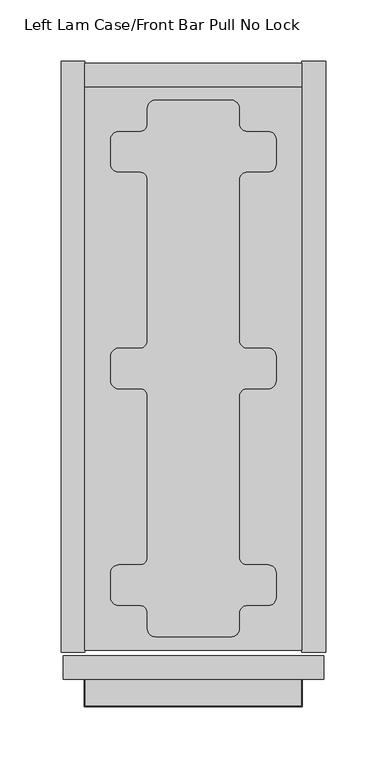
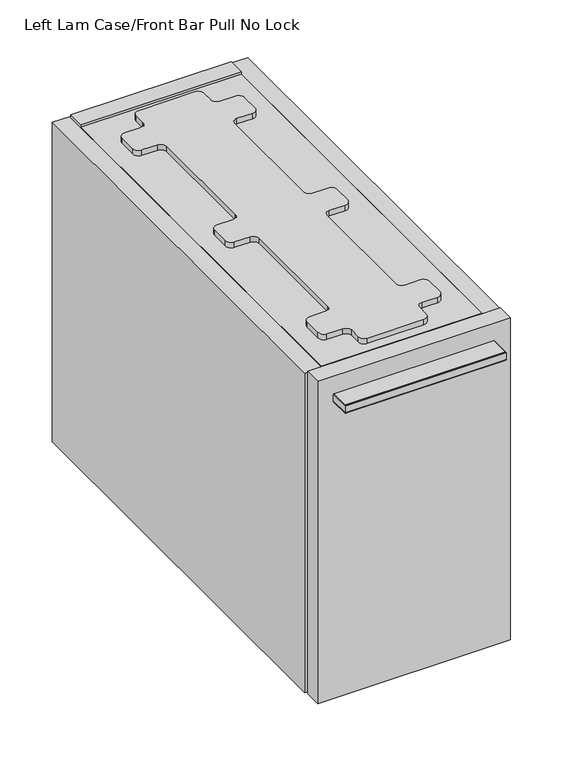
"""IFC4 building model written with IfcOpenShell, lengths in millimetres: furniture geometry, Left Lam Case/Front Bar Pull No Lock."""

from ifc_helpers import new_model, si_unit, point, frame, frame_2d, origin, place, context, project, spatial, polyline, circle_curve, ellipse_curve, trimmed, segment, composite_curve, outline, extrude, source, transform, mapped, element, save
from ifc_brep_helpers import plane_surface, cylinder_surface, revolved_surface, advanced_brep


def left_lam_case_front_bar_pull_no_lock_864ac2ea(model_context):
    return source(origin(), model_context, "Body", "SolidModel", [
        advanced_brep(
        [(196.1316162, -581.1520271, 637.437981), (196.1316162, -602.6150339, 637.437981), (19.7683778, -602.6150339, 637.437981), (19.7683778, -581.1520271, 637.437981), (49.4637762, -581.1520271, 637.437981), (49.4569548, -597.06699, 637.437981), (166.4396285, -597.06699, 637.437981), (166.4362178, -581.1520271, 637.437981), (19.7683778, -581.1520271, 646.962981), (19.7683778, -602.6150339, 646.962981), (196.1316162, -602.6150339, 646.962981), (196.1316162, -581.1520271, 646.962981), (165.6442639, -581.1520271, 638.1487745), (159.3341925, -581.1520271, 643.7879532), (56.5658015, -581.1520271, 643.7879532), (50.2557301, -581.1520271, 638.1487745), (159.3341925, -597.06699, 643.7879532), (165.6442639, -597.06699, 638.1487745), (50.2557301, -597.06699, 638.1487745), (56.5658015, -597.06699, 643.7879532)],
        [
            (0, 1),
            (1, 2),
            (2, 3),
            (3, 4),
            (4, 5),
            (5, 6),
            (6, 7),
            (7, 0),
            (8, 9),
            (9, 10),
            (10, 11),
            (11, 8),
            (11, 0),
            (7, 12, circle_curve(frame((166.4396285, -581.1520271, 638.2383687), z_axis=(0.0, 1.0, 0.0), x_axis=(0.0, 0.0, -1.0)), 0.8003949)),
            (12, 13, circle_curve(frame((159.3341925, -581.1520271, 637.4379738), z_axis=(0.0, -1.0, 0.0), x_axis=(0.0, 0.0, -1.0)), 6.3499794)),
            (13, 14),
            (14, 15, circle_curve(frame((56.5658015, -581.1520271, 637.4379738), z_axis=(0.0, -1.0, 0.0), x_axis=(0.0, 0.0, -1.0)), 6.3499794)),
            (15, 4, circle_curve(frame((49.4603655, -581.1520271, 638.2383687), z_axis=(0.0, 1.0, 0.0), x_axis=(0.0, 0.0, -1.0)), 0.8003949)),
            (3, 8),
            (10, 1),
            (9, 2),
            (16, 17, circle_curve(frame((159.3341925, -597.06699, 637.4379738), z_axis=(0.0, 1.0, 0.0), x_axis=(0.0, 0.0, -1.0)), 6.3499794)),
            (17, 6, circle_curve(frame((166.4396285, -597.06699, 638.2383687), z_axis=(0.0, -1.0, 0.0), x_axis=(0.0, 0.0, -1.0)), 0.8003949)),
            (5, 18, circle_curve(frame((49.4603655, -597.06699, 638.2383687), z_axis=(0.0, -1.0, 0.0), x_axis=(0.0, 0.0, -1.0)), 0.8003949)),
            (18, 19, circle_curve(frame((56.5658015, -597.06699, 637.4379738), z_axis=(0.0, 1.0, 0.0), x_axis=(0.0, 0.0, -1.0)), 6.3499794)),
            (19, 16),
            (16, 13),
            (12, 17),
            (15, 18),
            (14, 19),
        ],
        [
            plane_surface(frame((304.4000029, -581.1520271, 637.437981), z_axis=(0.0, 0.0, -1.0), x_axis=(1.0, 0.0, 0.0))),
            plane_surface(frame((304.4000029, -581.1520271, 646.962981), z_axis=(0.0, 0.0, 1.0), x_axis=(-1.0, 0.0, 0.0))),
            plane_surface(frame((19.7683778, -581.1520271, 637.437981), z_axis=(0.0, 1.0, 0.0), x_axis=(0.0, 0.0, 1.0))),
            plane_surface(frame((196.1316162, -581.1520271, 637.437981), z_axis=(1.0, 0.0, 0.0), x_axis=(0.0, 0.0, 1.0))),
            plane_surface(frame((196.1316162, -602.6150339, 637.437981), z_axis=(0.0, -1.0, 0.0), x_axis=(0.0, 0.0, 1.0))),
            plane_surface(frame((19.7683778, -602.6150339, 637.437981), z_axis=(-1.0, 0.0, 0.0), x_axis=(0.0, 0.0, 1.0))),
            plane_surface(frame((107.949997, -597.06699, 642.200481), z_axis=(0.0, 1.0, 0.0), x_axis=(1.0, 0.0, 0.0))),
            revolved_surface(polyline([(159.3341925, -581.1520271, 631.0879944), (159.3341925, -597.06699, 631.0879944)]), (159.3341925, -581.1520271, 637.4379738), (0.0, 1.0, 0.0)),
            cylinder_surface(frame((166.4396285, -581.1520271, 638.2383687), z_axis=(0.0, -1.0, 0.0), x_axis=(0.0, 0.0, -1.0)), 0.8003949),
            cylinder_surface(frame((49.4603655, -581.1520271, 638.2383687), z_axis=(0.0, -1.0, 0.0), x_axis=(0.0, 0.0, -1.0)), 0.8003949),
            revolved_surface(polyline([(56.5658015, -581.1520271, 631.0879944), (56.5658015, -597.06699, 631.0879944)]), (56.5658015, -581.1520271, 637.4379738), (0.0, 1.0, 0.0)),
            plane_surface(frame((56.5658015, -581.1520271, 643.7879532), z_axis=(0.0, 0.0, -1.0), x_axis=(0.0, -1.0, 0.0))),
        ],
        [
            (0, [[1, 2, 3, 4, 5, 6, 7, 8]]),
            (1, [[9, 10, 11, 12]]),
            (2, [[-12, 13, -8, 14, 15, 16, 17, 18, -4, 19]]),
            (3, [[-1, -13, -11, 20]]),
            (4, [[-2, -20, -10, 21]]),
            (5, [[-3, -21, -9, -19]]),
            (6, [[22, 23, -6, 24, 25, 26]]),
            (7, [[-22, 27, -15, 28]]),
            (8, [[-23, -28, -14, -7]]),
            (9, [[-24, -5, -18, 29]]),
            (10, [[-25, -29, -17, 30]]),
            (11, [[-26, -30, -16, -27]]),
        ],
    ),
        advanced_brep(
        [(19.7683778, -581.1520271, 637.4379629), (19.0063967, -581.1520271, 638.1999258), (19.0063967, -581.1520271, 646.1957018), (19.7683778, -581.1520271, 646.9577374), (19.7683778, -602.6150339, 637.4379629), (19.0063967, -603.377015, 638.1999258), (19.0063967, -603.377015, 646.1957018), (19.7683778, -602.6150339, 646.9577374), (196.1316162, -602.6150339, 637.4379629), (196.8935973, -603.377015, 638.1999258), (196.8935973, -603.377015, 646.1957018), (196.1316162, -602.6150339, 646.9577374), (196.1316162, -581.1520271, 637.4379629), (196.1316162, -581.1520271, 646.9577374), (196.8935973, -581.1520271, 646.1957018), (196.8935973, -581.1520271, 638.1999258)],
        [
            (0, 1, circle_curve(frame((19.7683596, -581.1520271, 638.1999258), z_axis=(0.0, 1.0, 0.0), x_axis=(1.0, 0.0, 0.0)), 0.7619629)),
            (1, 2),
            (2, 3, circle_curve(frame((19.7684323, -581.1520271, 646.1957018), z_axis=(0.0, 1.0, 0.0), x_axis=(1.0, 0.0, 0.0)), 0.7620356)),
            (3, 0),
            (0, 4),
            (4, 5, ellipse_curve(frame((19.7683596, -602.6150521, 638.1999258), z_axis=(-0.7071067811865492, 0.7071067811865458, 0.0), x_axis=(0.7071067811865457, 0.7071067811865492, 0.0)), 1.0775783, 0.7619629)),
            (5, 1),
            (5, 6),
            (6, 2),
            (6, 7, ellipse_curve(frame((19.7684323, -602.6149794, 646.1957018), z_axis=(-0.7071067811865492, 0.7071067811865458, 0.0), x_axis=(0.7071067811865457, 0.7071067811865492, 0.0)), 1.0776811, 0.7620356)),
            (7, 3),
            (7, 4),
            (4, 8),
            (8, 9, ellipse_curve(frame((196.1316343, -602.6150521, 638.1999258), z_axis=(-0.7071067811865458, -0.7071067811865492, 0.0), x_axis=(-0.7071067811865492, 0.7071067811865457, 0.0)), 1.0775783, 0.7619629)),
            (9, 5),
            (9, 10),
            (10, 6),
            (10, 11, ellipse_curve(frame((196.1315617, -602.6149794, 646.1957018), z_axis=(-0.7071067811865458, -0.7071067811865492, 0.0), x_axis=(-0.7071067811865492, 0.7071067811865457, 0.0)), 1.0776811, 0.7620356)),
            (11, 7),
            (11, 8),
            (12, 13),
            (13, 14, circle_curve(frame((196.1315617, -581.1520271, 646.1957018), z_axis=(0.0, 1.0, 0.0), x_axis=(-1.0, 0.0, 0.0)), 0.7620356)),
            (14, 15),
            (15, 12, circle_curve(frame((196.1316343, -581.1520271, 638.1999258), z_axis=(0.0, 1.0, 0.0), x_axis=(-1.0, 0.0, 0.0)), 0.7619629)),
            (8, 12),
            (15, 9),
            (14, 10),
            (13, 11),
        ],
        [
            plane_surface(frame((19.3039998, -581.1520271, 642.200481), z_axis=(0.0, 1.0, 0.0), x_axis=(0.0, 0.0, 1.0))),
            cylinder_surface(frame((19.7683596, -581.1520271, 638.1999258), z_axis=(0.0, 1.0, 0.0), x_axis=(1.0, 0.0, 0.0)), 0.7619629),
            plane_surface(frame((19.0063967, -581.1520271, 638.1999258), z_axis=(-1.0, 0.0, 0.0), x_axis=(0.0, -1.0, 0.0))),
            cylinder_surface(frame((19.7684323, -581.1520271, 646.1957018), z_axis=(0.0, 1.0, 0.0), x_axis=(1.0, 0.0, 0.0)), 0.7620356),
            plane_surface(frame((19.7683778, -581.1520271, 646.9577374), z_axis=(1.0, 0.0, 0.0), x_axis=(0.0, -1.0, 0.0))),
            cylinder_surface(frame((19.3039998, -602.6150521, 638.1999258), z_axis=(-1.0, 0.0, 0.0), x_axis=(0.0, 1.0, 0.0)), 0.7619629),
            plane_surface(frame((19.0063967, -603.377015, 638.1999258), z_axis=(0.0, -1.0, 0.0), x_axis=(1.0, 0.0, 0.0))),
            cylinder_surface(frame((19.3039998, -602.6149794, 646.1957018), z_axis=(-1.0, 0.0, 0.0), x_axis=(0.0, 1.0, 0.0)), 0.7620356),
            plane_surface(frame((19.7683778, -602.6150339, 646.9577374), z_axis=(0.0, 1.0, 0.0), x_axis=(1.0, 0.0, 0.0))),
            plane_surface(frame((196.5959942, -581.1520271, 642.200481), z_axis=(0.0, 1.0, 0.0), x_axis=(0.0, 0.0, 1.0))),
            cylinder_surface(frame((196.1316343, -603.0794119, 638.1999258), z_axis=(0.0, -1.0, 0.0), x_axis=(-1.0, 0.0, 0.0)), 0.7619629),
            plane_surface(frame((196.8935973, -603.377015, 638.1999258), z_axis=(1.0, 0.0, 0.0), x_axis=(0.0, 1.0, 0.0))),
            cylinder_surface(frame((196.1315617, -603.0794119, 646.1957018), z_axis=(0.0, -1.0, 0.0), x_axis=(-1.0, 0.0, 0.0)), 0.7620356),
            plane_surface(frame((196.1316162, -602.6150339, 646.9577374), z_axis=(-1.0, 0.0, 0.0), x_axis=(0.0, 1.0, 0.0))),
        ],
        [
            (0, [[1, 2, 3, 4]]),
            (1, [[-1, 5, 6, 7]]),
            (2, [[-2, -7, 8, 9]]),
            (3, [[-3, -9, 10, 11]]),
            (4, [[-4, -11, 12, -5]]),
            (5, [[-6, 13, 14, 15]]),
            (6, [[-8, -15, 16, 17]]),
            (7, [[-10, -17, 18, 19]]),
            (8, [[-12, -19, 20, -13]]),
            (9, [[21, 22, 23, 24]]),
            (10, [[-14, 25, -24, 26]]),
            (11, [[-16, -26, -23, 27]]),
            (12, [[-18, -27, -22, 28]]),
            (13, [[-20, -28, -21, -25]]),
        ],
    ),
        extrude(outline(composite_curve([segment(polyline([(76.7999952, -108.1170017), (139.0999988, -108.1170017)]), True, "CONTINUOUS"), segment(trimmed(circle_curve(frame_2d((139.0999988, -114.4669956)), 6.3499939), [point((139.0999988, -108.1170017))], [point((145.4499927, -114.4669956))], False, "CARTESIAN"), True, "CONTINUOUS"), segment(polyline([(145.4499927, -114.4669956), (145.4499927, -127.2670047)]), True, "CONTINUOUS"), segment(trimmed(circle_curve(frame_2d((151.7999957, -127.2670047)), 6.350003), [point((145.4499927, -127.2670047))], [point((151.7999957, -133.6170077))], True, "CARTESIAN"), True, "CONTINUOUS"), segment(polyline([(151.7999957, -133.6170077), (169.0999981, -133.6170077)]), True, "CONTINUOUS"), segment(trimmed(circle_curve(frame_2d((169.0999981, -139.9670016)), 6.3499939), [point((169.0999981, -133.6170077))], [point((175.449992, -139.9670016))], False, "CARTESIAN"), True, "CONTINUOUS"), segment(polyline([(175.449992, -139.9670016), (175.449992, -160.2670116)]), True, "CONTINUOUS"), segment(trimmed(circle_curve(frame_2d((169.0999936, -160.2670116)), 6.3499985), [point((175.449992, -160.2670116))], [point((169.0999936, -166.6170101))], False, "CARTESIAN"), True, "CONTINUOUS"), segment(polyline([(169.0999936, -166.6170101), (151.7999957, -166.6170101)]), True, "CONTINUOUS"), segment(trimmed(circle_curve(frame_2d((151.7999957, -172.9670131)), 6.350003), [point((151.7999957, -166.6170101))], [point((145.4499927, -172.9670131))], True, "CARTESIAN"), True, "CONTINUOUS"), segment(polyline([(145.4499927, -172.9670131), (145.4499927, -304.2670111)]), True, "CONTINUOUS"), segment(trimmed(circle_curve(frame_2d((151.7999957, -304.2670111)), 6.350003), [point((145.4499927, -304.2670111))], [point((151.7999957, -310.6170141))], True, "CARTESIAN"), True, "CONTINUOUS"), segment(polyline([(151.7999957, -310.6170141), (169.1000163, -310.6170141)]), True, "CONTINUOUS"), segment(trimmed(circle_curve(frame_2d((169.1000163, -316.9669899)), 6.3499758), [point((169.1000163, -310.6170141))], [point((175.449992, -316.9669899))], False, "CARTESIAN"), True, "CONTINUOUS"), segment(polyline([(175.449992, -316.9669899), (175.449992, -337.2670044)]), True, "CONTINUOUS"), segment(trimmed(circle_curve(frame_2d((169.1000163, -337.2670044)), 6.3499758), [point((175.449992, -337.2670044))], [point((169.1000163, -343.6169802))], False, "CARTESIAN"), True, "CONTINUOUS"), segment(polyline([(169.1000163, -343.6169802), (151.7999957, -343.6169802)]), True, "CONTINUOUS"), segment(trimmed(circle_curve(frame_2d((151.7999957, -349.9669832)), 6.350003), [point((151.7999957, -343.6169802))], [point((145.4499927, -349.9669832))], True, "CARTESIAN"), True, "CONTINUOUS"), segment(polyline([(145.4499927, -349.9669832), (145.4499927, -481.2669812)]), True, "CONTINUOUS"), segment(trimmed(circle_curve(frame_2d((151.7999957, -481.2669812)), 6.350003), [point((145.4499927, -481.2669812))], [point((151.7999957, -487.6169842))], True, "CARTESIAN"), True, "CONTINUOUS"), segment(polyline([(151.7999957, -487.6169842), (169.0999936, -487.6169842)]), True, "CONTINUOUS"), segment(trimmed(circle_curve(frame_2d((169.0999936, -493.9669827)), 6.3499985), [point((169.0999936, -487.6169842))], [point((175.449992, -493.9669827))], False, "CARTESIAN"), True, "CONTINUOUS"), segment(polyline([(175.449992, -493.9669827), (175.449992, -514.2669927)]), True, "CONTINUOUS"), segment(trimmed(circle_curve(frame_2d((169.0999981, -514.2669927)), 6.3499939), [point((175.449992, -514.2669927))], [point((169.0999981, -520.6169867))], False, "CARTESIAN"), True, "CONTINUOUS"), segment(polyline([(169.0999981, -520.6169867), (151.7999957, -520.6169867)]), True, "CONTINUOUS"), segment(trimmed(circle_curve(frame_2d((151.7999957, -526.9669897)), 6.350003), [point((151.7999957, -520.6169867))], [point((145.4499927, -526.9669897))], True, "CARTESIAN"), True, "CONTINUOUS"), segment(polyline([(145.4499927, -526.9669897), (145.4499927, -539.7669987)]), True, "CONTINUOUS"), segment(trimmed(circle_curve(frame_2d((139.0999988, -539.7669987)), 6.3499939), [point((145.4499927, -539.7669987))], [point((139.0999988, -546.1169927))], False, "CARTESIAN"), True, "CONTINUOUS"), segment(polyline([(139.0999988, -546.1169927), (76.7999952, -546.1169927)]), True, "CONTINUOUS"), segment(trimmed(circle_curve(frame_2d((76.7999952, -539.7669987)), 6.3499939), [point((76.7999952, -546.1169927))], [point((70.4500012, -539.7669987))], False, "CARTESIAN"), True, "CONTINUOUS"), segment(polyline([(70.4500012, -539.7669987), (70.4500012, -526.9669897)]), True, "CONTINUOUS"), segment(trimmed(circle_curve(frame_2d((64.0999982, -526.9669897)), 6.350003), [point((70.4500012, -526.9669897))], [point((64.0999982, -520.6169867))], True, "CARTESIAN"), True, "CONTINUOUS"), segment(polyline([(64.0999982, -520.6169867), (46.7999959, -520.6169867)]), True, "CONTINUOUS"), segment(trimmed(circle_curve(frame_2d((46.7999959, -514.2669927)), 6.3499939), [point((46.7999959, -520.6169867))], [point((40.4500019, -514.2669927))], False, "CARTESIAN"), True, "CONTINUOUS"), segment(polyline([(40.4500019, -514.2669927), (40.4500019, -493.9669827)]), True, "CONTINUOUS"), segment(trimmed(circle_curve(frame_2d((46.8000004, -493.9669827)), 6.3499985), [point((40.4500019, -493.9669827))], [point((46.8000004, -487.6169842))], False, "CARTESIAN"), True, "CONTINUOUS"), segment(polyline([(46.8000004, -487.6169842), (64.0999982, -487.6169842)]), True, "CONTINUOUS"), segment(trimmed(circle_curve(frame_2d((64.0999982, -481.2669812)), 6.350003), [point((64.0999982, -487.6169842))], [point((70.4500012, -481.2669812))], True, "CARTESIAN"), True, "CONTINUOUS"), segment(polyline([(70.4500012, -481.2669812), (70.4500012, -349.9669832)]), True, "CONTINUOUS"), segment(trimmed(circle_curve(frame_2d((64.0999982, -349.9669832)), 6.350003), [point((70.4500012, -349.9669832))], [point((64.0999982, -343.6169802))], True, "CARTESIAN"), True, "CONTINUOUS"), segment(polyline([(64.0999982, -343.6169802), (46.7999777, -343.6169802)]), True, "CONTINUOUS"), segment(trimmed(circle_curve(frame_2d((46.7999777, -337.2670044)), 6.3499758), [point((46.7999777, -343.6169802))], [point((40.4500019, -337.2670044))], False, "CARTESIAN"), True, "CONTINUOUS"), segment(polyline([(40.4500019, -337.2670044), (40.4500019, -316.9669899)]), True, "CONTINUOUS"), segment(trimmed(circle_curve(frame_2d((46.7999777, -316.9669899)), 6.3499758), [point((40.4500019, -316.9669899))], [point((46.7999777, -310.6170141))], False, "CARTESIAN"), True, "CONTINUOUS"), segment(polyline([(46.7999777, -310.6170141), (64.0999982, -310.6170141)]), True, "CONTINUOUS"), segment(trimmed(circle_curve(frame_2d((64.0999982, -304.2670111)), 6.350003), [point((64.0999982, -310.6170141))], [point((70.4500012, -304.2670111))], True, "CARTESIAN"), True, "CONTINUOUS"), segment(polyline([(70.4500012, -304.2670111), (70.4500012, -172.9670131)]), True, "CONTINUOUS"), segment(trimmed(circle_curve(frame_2d((64.0999982, -172.9670131)), 6.350003), [point((70.4500012, -172.9670131))], [point((64.0999982, -166.6170101))], True, "CARTESIAN"), True, "CONTINUOUS"), segment(polyline([(64.0999982, -166.6170101), (46.8000004, -166.6170101)]), True, "CONTINUOUS"), segment(trimmed(circle_curve(frame_2d((46.8000004, -160.2670116)), 6.3499985), [point((46.8000004, -166.6170101))], [point((40.4500019, -160.2670116))], False, "CARTESIAN"), True, "CONTINUOUS"), segment(polyline([(40.4500019, -160.2670116), (40.4500019, -139.9670016)]), True, "CONTINUOUS"), segment(trimmed(circle_curve(frame_2d((46.7999959, -139.9670016)), 6.3499939), [point((40.4500019, -139.9670016))], [point((46.7999959, -133.6170077))], False, "CARTESIAN"), True, "CONTINUOUS"), segment(polyline([(46.7999959, -133.6170077), (64.0999982, -133.6170077)]), True, "CONTINUOUS"), segment(trimmed(circle_curve(frame_2d((64.0999982, -127.2670047)), 6.350003), [point((64.0999982, -133.6170077))], [point((70.4500012, -127.2670047))], True, "CARTESIAN"), True, "CONTINUOUS"), segment(polyline([(70.4500012, -127.2670047), (70.4500012, -114.4669956)]), True, "CONTINUOUS"), segment(trimmed(circle_curve(frame_2d((76.7999952, -114.4669956)), 6.3499939), [point((70.4500012, -114.4669956))], [point((76.7999952, -108.1170017))], False, "CARTESIAN"), True, "CONTINUOUS")], self_intersect=False)), frame((0.0, 0.0, 664.4129333), z_axis=(0.0, 0.0, 1.0), x_axis=(1.0, 0.0, 0.0)), (0.0, 0.0, 1.0), 6.3500484),
        extrude(outline(polyline([(196.5959942, -557.2409866), (19.3039998, -557.2409866), (19.3039998, -96.9930077), (196.5959942, -96.9930077), (196.5959942, -557.2409866)])), frame((0.0, 0.0, 645.1089518), z_axis=(0.0, 0.0, 1.0), x_axis=(1.0, 0.0, 0.0)), (0.0, 0.0, 1.0), 19.3039816),
        extrude(outline(polyline([(196.5959942, -557.2409866), (19.3039998, -557.2409866), (19.3039998, -96.9930077), (196.5959942, -96.9930077), (196.5959942, -557.2409866)])), frame((0.0, 0.0, 291.2879432), z_axis=(0.0, 0.0, 1.0), x_axis=(1.0, 0.0, 0.0)), (0.0, 0.0, 1.0), 19.3039998),
        extrude(outline(polyline([(196.5959942, -77.6890261), (196.5959942, -96.9930077), (19.3039998, -96.9930077), (19.3039998, -77.6890261), (196.5959942, -77.6890261)])), frame((0.0, 0.0, 291.2879432), z_axis=(0.0, 0.0, 1.0), x_axis=(1.0, 0.0, 0.0)), (0.0, 0.0, 1.0), 376.3000144),
        extrude(outline(polyline([(196.5959942, -558.7650215), (196.5959942, -76.1649912), (215.8999939, -76.1649912), (215.8999939, -558.7650215), (196.5959942, -558.7650215)])), frame((0.0, 0.0, 291.2879432), z_axis=(0.0, 0.0, 1.0), x_axis=(1.0, 0.0, 0.0)), (0.0, 0.0, 1.0), 373.1249901),
        extrude(outline(polyline([(19.3039998, -558.7650215), (0.0, -558.7650215), (0.0, -76.1649912), (19.3039998, -76.1649912), (19.3039998, -558.7650215)])), frame((0.0, 0.0, 291.2879432), z_axis=(0.0, 0.0, 1.0), x_axis=(1.0, 0.0, 0.0)), (0.0, 0.0, 1.0), 373.1249901),
        extrude(outline(polyline([(214.325194, -561.8480455), (214.325194, -581.1520271), (1.5748, -581.1520271), (1.5748, -561.8480455), (214.325194, -561.8480455)])), frame((0.0, 0.0, 291.2879432), z_axis=(0.0, 0.0, 1.0), x_axis=(1.0, 0.0, 0.0)), (0.0, 0.0, 1.0), 376.3000144),
    ])


if __name__ == "__main__":
    model = new_model("IFC4")
    model_context = context("Model", 3, world=origin())
    ifc_project = project(units=[si_unit("LENGTHUNIT", "METRE", prefix="MILLI")], contexts=[model_context])
    site = spatial("IfcSite", under=ifc_project)
    building = spatial("IfcBuilding", under=site)
    placement = place(None, origin())
    left_lam_case_front_bar_pull_no_lock_shape = left_lam_case_front_bar_pull_no_lock_864ac2ea(model_context)
    element("IfcFurniture", 1, ObjectType="Left Lam Case/Front Bar Pull No Lock", at=placement, inside=building, context=model_context, shape_type="MappedRepresentation", body=[
        mapped(left_lam_case_front_bar_pull_no_lock_shape, transform((0.0, 0.0, 0.0), x_axis=(1.0, 0.0, 0.0), y_axis=(0.0, 1.0, 0.0), z_axis=(0.0, 0.0, 1.0))),
    ])
    save(model, "model.ifc")
